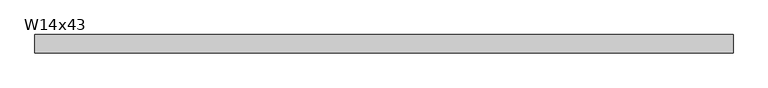
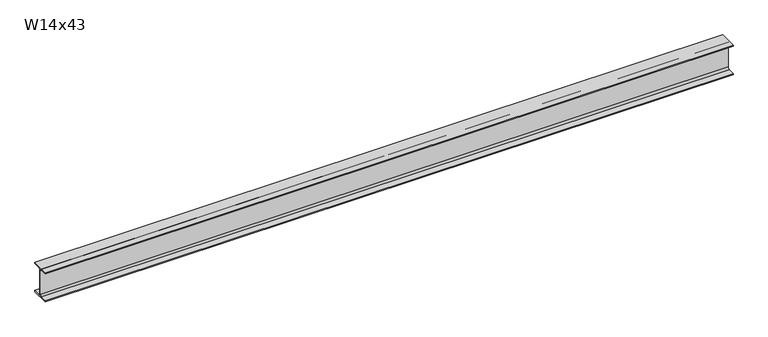
"""IFC4 building model written with IfcOpenShell, lengths in millimetres: beam geometry, W14x43."""

from ifc_helpers import new_model, si_unit, point, frame, frame_2d, origin, place, context, project, spatial, polyline, circle_curve, trimmed, segment, composite_curve, outline, extrude, source, transform, mapped, element, save


def w14x43_899d33ca(model_context):
    return source(origin(), model_context, "Body", "SweptSolid", [
        extrude(outline(composite_curve([segment(polyline([(101.6, -160.528), (101.6, -173.99), (-101.6, -173.99), (-101.6, -160.528), (-25.3365, -160.528)]), True, "CONTINUOUS"), segment(trimmed(circle_curve(frame_2d((-25.3365, -139.065)), 21.463), [point((-25.3365, -160.528))], [point((-3.8735, -139.065))], True, "CARTESIAN"), True, "CONTINUOUS"), segment(polyline([(-3.8735, -139.065), (-3.8735, 139.065)]), True, "CONTINUOUS"), segment(trimmed(circle_curve(frame_2d((-25.3365, 139.065)), 21.463), [point((-3.8735, 139.065))], [point((-25.3365, 160.528))], True, "CARTESIAN"), True, "CONTINUOUS"), segment(polyline([(-25.3365, 160.528), (-101.6, 160.528), (-101.6, 173.99), (101.6, 173.99), (101.6, 160.528), (25.3365, 160.528)]), True, "CONTINUOUS"), segment(trimmed(circle_curve(frame_2d((25.3365, 139.065)), 21.463), [point((25.3365, 160.528))], [point((3.8735, 139.065))], True, "CARTESIAN"), True, "CONTINUOUS"), segment(polyline([(3.8735, 139.065), (3.8735, -139.065)]), True, "CONTINUOUS"), segment(trimmed(circle_curve(frame_2d((25.3365, -139.065)), 21.463), [point((3.8735, -139.065))], [point((25.3365, -160.528))], True, "CARTESIAN"), True, "CONTINUOUS"), segment(polyline([(25.3365, -160.528), (101.6, -160.528)]), True, "CONTINUOUS")], self_intersect=False)), frame((-3847.0852482, 0.0, 0.0), z_axis=(1.0, 0.0, 0.0), x_axis=(0.0, 1.0, 0.0)), (0.0, 0.0, 1.0), 7694.168),
    ])


if __name__ == "__main__":
    model = new_model("IFC4")
    model_context = context("Model", 3, world=origin())
    ifc_project = project(units=[si_unit("LENGTHUNIT", "METRE", prefix="MILLI")], contexts=[model_context])
    site = spatial("IfcSite", under=ifc_project)
    building = spatial("IfcBuilding", under=site)
    placement = place(None, origin())
    w14x43_shape = w14x43_899d33ca(model_context)
    element("IfcBeam", 1, ObjectType="W14x43", at=placement, inside=building, context=model_context, shape_type="MappedRepresentation", body=[
        mapped(w14x43_shape, transform((0.0, 0.0, 0.0), x_axis=(1.0, 0.0, 0.0), y_axis=(0.0, 1.0, 0.0), z_axis=(0.0, 0.0, 1.0))),
    ])
    save(model, "model.ifc")
